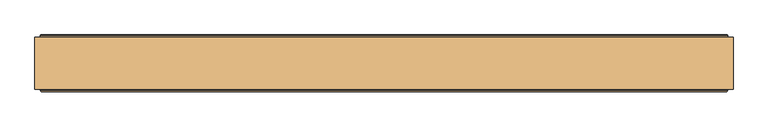
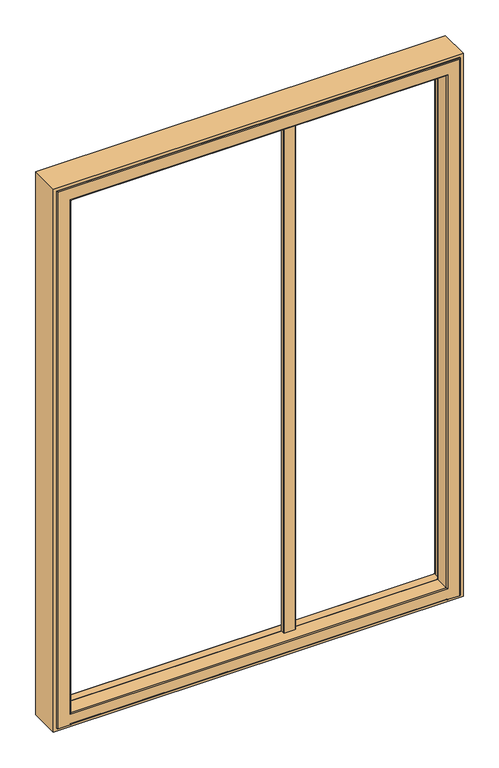
"""IFC4 building model written with IfcOpenShell, lengths in millimetres: door geometry."""

from ifc_helpers import new_model, si_unit, point, frame, frame_2d, origin, place, context, project, spatial, polyline, circle_curve, ellipse_curve, trimmed, segment, composite_curve, outline, extrude, source, transform, mapped, element, save
from ifc_brep_helpers import plane_surface, cylinder_surface, revolved_surface, advanced_brep


def door_68de4d88(model_context):
    return source(origin(), model_context, "Body", "SolidModel", [
        extrude(outline(polyline([(2100.0, -581.484), (0.0, -581.484), (0.0, 918.516), (2100.0, 918.516), (2100.0, -581.484)]), holes=[polyline([(2088.0, 906.516), (12.0, 906.516), (12.0, -569.484), (2088.0, -569.484), (2088.0, 906.516)])]), frame((0.0, 37.0, 0.0), z_axis=(0.0, 1.0, 0.0), x_axis=(0.0, 0.0, 1.0)), (0.0, 0.0, 1.0), 112.0),
        extrude(outline(composite_curve([segment(polyline([(326.5348656, 76.0), (286.5246013, 76.0)]), True, "CONTINUOUS"), segment(trimmed(circle_curve(frame_2d((286.5246013, 77.9897357)), 1.9897356), [point((286.5246013, 76.0))], [point((284.5348656, 77.9897357))], False, "CARTESIAN"), True, "CONTINUOUS"), segment(polyline([(284.5348656, 77.9897357), (284.5348656, 91.0), (328.5348656, 91.0), (328.5348656, 78.0)]), True, "CONTINUOUS"), segment(trimmed(circle_curve(frame_2d((326.5348656, 78.0)), 2.0), [point((328.5348656, 78.0))], [point((326.5348656, 76.0))], False, "CARTESIAN"), True, "CONTINUOUS")], self_intersect=False)), frame((0.0, 0.0, 48.0), z_axis=(0.0, 0.0, 1.0), x_axis=(1.0, 0.0, 0.0)), (0.0, 0.0, 1.0), 1986.5),
        advanced_brep(
        [(881.3017488, 146.453125, 12.0), (882.116, 146.453125, 12.0), (882.116, 153.0, 12.0), (883.116, 154.0, 12.0), (905.516, 154.0, 12.0), (906.516, 153.0, 12.0), (906.516, 35.0, 12.0), (903.516, 32.0, 12.0), (859.516, 32.0, 12.0), (856.516, 35.0, 12.0), (-519.484, 35.0, 12.0), (-522.484, 32.0, 12.0), (-566.484, 32.0, 12.0), (-569.484, 35.0, 12.0), (-569.484, 153.0, 12.0), (-568.484, 154.0, 12.0), (-546.084, 154.0, 12.0), (-545.084, 153.0, 12.0), (-545.084, 146.453125, 12.0), (-544.2697488, 146.453125, 12.0), (-544.2697488, 151.0, 12.0), (881.3017488, 151.0, 12.0), (881.3017488, 146.453125, 31.1912124), (881.3017488, 146.453125, 2062.7857488), (-544.2697488, 146.453125, 2062.7857488), (-544.2697488, 146.453125, 31.1912124), (-545.084, 146.453125, 2063.6), (882.116, 146.453125, 2063.6), (882.116, 153.0, 2063.6), (883.116, 154.0, 2064.6), (-546.084, 154.0, 2064.6), (-568.484, 154.0, 2087.0), (905.516, 154.0, 2087.0), (906.516, 153.0, 2088.0), (906.516, 35.0, 2088.0), (903.516, 32.0, 2085.0), (-566.484, 32.0, 2085.0), (-522.484, 32.0, 15.0), (859.516, 32.0, 15.0), (859.516, 32.0, 2041.0), (859.516, 32.0, 53.0), (-522.484, 32.0, 53.0), (-522.484, 32.0, 2041.0), (856.516, 35.0, 2038.0), (856.516, 35.0, 56.0), (-519.484, 35.0, 2038.0), (-519.484, 35.0, 56.0), (-569.484, 35.0, 2088.0), (-569.484, 153.0, 2088.0), (-545.084, 153.0, 2063.6), (-544.2697488, 151.365608, 30.5880353), (-544.2697488, 154.0, 27.6103969), (-544.2697488, 154.0, 15.0), (881.3017488, 154.0, 15.0), (881.3017488, 154.0, 27.6103969), (881.3017488, 151.365608, 30.5880353), (-536.1338733, 91.0, 2054.6498733), (873.1658733, 91.0, 2054.6498733), (873.1658733, 91.0, 39.3270879), (-536.1338733, 91.0, 39.3270879), (858.016, 91.0, 2039.5), (-520.984, 91.0, 2039.5), (-520.984, 91.0, 54.5), (858.016, 91.0, 54.5), (856.516, 89.5, 2038.0), (856.516, 89.5, 56.0), (-519.484, 89.5, 56.0), (-519.484, 89.5, 2038.0), (874.6546925, 92.317196, 2056.1386925), (874.6546925, 92.317196, 37.8382687), (-537.6226925, 92.317196, 37.8382687), (-537.6226925, 92.317196, 2056.1386925)],
        [
            (0, 1),
            (1, 2),
            (2, 3, circle_curve(frame((883.116, 153.0, 12.0), z_axis=(0.0, 0.0, -1.0), x_axis=(-1.0, 0.0, 0.0)), 1.0)),
            (3, 4),
            (4, 5, circle_curve(frame((905.516, 153.0, 12.0), z_axis=(0.0, 0.0, -1.0), x_axis=(-1.0, 0.0, 0.0)), 1.0)),
            (5, 6),
            (6, 7, circle_curve(frame((903.516, 35.0, 12.0), z_axis=(0.0, 0.0, -1.0), x_axis=(-1.0, 0.0, 0.0)), 3.0)),
            (7, 8),
            (8, 9, circle_curve(frame((859.516, 35.0, 12.0), z_axis=(0.0, 0.0, -1.0), x_axis=(-1.0, 0.0, 0.0)), 3.0)),
            (9, 10),
            (10, 11, circle_curve(frame((-522.484, 35.0, 12.0), z_axis=(0.0, 0.0, -1.0), x_axis=(1.0, 0.0, 0.0)), 3.0)),
            (11, 12),
            (12, 13, circle_curve(frame((-566.484, 35.0, 12.0), z_axis=(0.0, 0.0, -1.0), x_axis=(1.0, 0.0, 0.0)), 3.0)),
            (13, 14),
            (14, 15, circle_curve(frame((-568.484, 153.0, 12.0), z_axis=(0.0, 0.0, -1.0), x_axis=(1.0, 0.0, 0.0)), 1.0)),
            (15, 16),
            (16, 17, circle_curve(frame((-546.084, 153.0, 12.0), z_axis=(0.0, 0.0, -1.0), x_axis=(1.0, 0.0, 0.0)), 1.0)),
            (17, 18),
            (18, 19),
            (19, 20),
            (20, 21),
            (21, 0),
            (0, 22),
            (22, 23),
            (23, 24),
            (24, 25),
            (25, 19),
            (18, 26),
            (26, 27),
            (27, 1),
            (27, 28),
            (28, 2),
            (28, 29, ellipse_curve(frame((883.116, 153.0, 2064.6), z_axis=(0.7071067811865475, 0.0, -0.7071067811865475), x_axis=(-0.7071067811865474, 0.0, -0.7071067811865476)), 1.4142136, 1.0)),
            (29, 3),
            (29, 30),
            (30, 16),
            (15, 31),
            (31, 32),
            (32, 4),
            (32, 33, ellipse_curve(frame((905.516, 153.0, 2087.0), z_axis=(0.7071067811865475, 0.0, -0.7071067811865475), x_axis=(-0.7071067811865474, 0.0, -0.7071067811865476)), 1.4142136, 1.0)),
            (33, 5),
            (33, 34),
            (34, 6),
            (34, 35, ellipse_curve(frame((903.516, 35.0, 2085.0), z_axis=(0.7071067811865475, 0.0, -0.7071067811865475), x_axis=(-0.7071067811865474, 0.0, -0.7071067811865476)), 4.2426407, 3.0)),
            (35, 7),
            (35, 36),
            (36, 12),
            (11, 37),
            (37, 38),
            (38, 8),
            (39, 40),
            (40, 41),
            (41, 42),
            (42, 39),
            (38, 9, ellipse_curve(frame((859.516, 35.0, 15.0), z_axis=(0.7071067811865475, 0.0, -0.7071067811865475), x_axis=(-0.7071067811865474, 0.0, -0.7071067811865476)), 4.2426407, 3.0)),
            (39, 43, ellipse_curve(frame((859.516, 35.0, 2041.0), z_axis=(0.7071067811865475, 0.0, -0.7071067811865475), x_axis=(-0.7071067811865474, 0.0, -0.7071067811865476)), 4.2426407, 3.0)),
            (43, 44),
            (44, 40, ellipse_curve(frame((859.516, 35.0, 53.0), z_axis=(0.7071067811865475, 0.0, 0.7071067811865475), x_axis=(0.7071067811865474, 0.0, -0.7071067811865476)), 4.2426407, 3.0)),
            (37, 10, ellipse_curve(frame((-522.484, 35.0, 15.0), z_axis=(0.7071067811865475, 0.0, 0.7071067811865475), x_axis=(-0.7071067811865476, 0.0, 0.7071067811865474)), 4.2426407, 3.0)),
            (45, 42, ellipse_curve(frame((-522.484, 35.0, 2041.0), z_axis=(-0.7071067811865475, 0.0, -0.7071067811865475), x_axis=(-0.7071067811865474, 0.0, 0.7071067811865476)), 4.2426407, 3.0)),
            (41, 46, ellipse_curve(frame((-522.484, 35.0, 53.0), z_axis=(-0.7071067811865475, 0.0, 0.7071067811865475), x_axis=(0.7071067811865474, 0.0, 0.7071067811865476)), 4.2426407, 3.0)),
            (46, 45),
            (36, 47, ellipse_curve(frame((-566.484, 35.0, 2085.0), z_axis=(-0.7071067811865475, 0.0, -0.7071067811865475), x_axis=(-0.7071067811865474, 0.0, 0.7071067811865476)), 4.2426407, 3.0)),
            (47, 13),
            (47, 48),
            (48, 14),
            (48, 31, ellipse_curve(frame((-568.484, 153.0, 2087.0), z_axis=(-0.7071067811865475, 0.0, -0.7071067811865475), x_axis=(-0.7071067811865474, 0.0, 0.7071067811865476)), 1.4142136, 1.0)),
            (30, 49, ellipse_curve(frame((-546.084, 153.0, 2064.6), z_axis=(-0.7071067811865475, 0.0, -0.7071067811865475), x_axis=(-0.7071067811865474, 0.0, 0.7071067811865476)), 1.4142136, 1.0)),
            (49, 17),
            (49, 26),
            (50, 51, circle_curve(frame((-544.2697488, 151.0, 27.6103969), z_axis=(-1.0, 0.0, 0.0), x_axis=(0.0, -1.0, 0.0)), 3.0)),
            (51, 52),
            (52, 20, circle_curve(frame((-544.2697488, 151.0, 15.0), z_axis=(-1.0, 0.0, 0.0), x_axis=(0.0, -1.0, 0.0)), 3.0)),
            (25, 50),
            (52, 53),
            (53, 21, circle_curve(frame((881.3017488, 151.0, 15.0), z_axis=(-1.0, 0.0, 0.0), x_axis=(0.0, -1.0, 0.0)), 3.0)),
            (53, 54),
            (54, 55, circle_curve(frame((881.3017488, 151.0, 27.6103969), z_axis=(1.0, 0.0, 0.0), x_axis=(0.0, -1.0, 0.0)), 3.0)),
            (55, 22),
            (56, 57),
            (57, 58),
            (58, 59),
            (59, 56),
            (60, 61),
            (61, 62),
            (62, 63),
            (63, 60),
            (64, 60, ellipse_curve(frame((858.016, 89.5, 2039.5), z_axis=(0.7071067811865475, 0.0, -0.7071067811865475), x_axis=(-0.7071067811865474, 0.0, -0.7071067811865476)), 2.1213203, 1.5)),
            (63, 65, ellipse_curve(frame((858.016, 89.5, 54.5), z_axis=(0.7071067811865475, 0.0, 0.7071067811865475), x_axis=(0.7071067811865474, 0.0, -0.7071067811865476)), 2.1213203, 1.5)),
            (65, 64),
            (62, 66, ellipse_curve(frame((-520.984, 89.5, 54.5), z_axis=(0.7071067811865475, 0.0, -0.7071067811865475), x_axis=(-0.7071067811865476, 0.0, -0.7071067811865474)), 2.1213203, 1.5)),
            (66, 65),
            (43, 64),
            (65, 44),
            (61, 67, ellipse_curve(frame((-520.984, 89.5, 2039.5), z_axis=(-0.7071067811865475, 0.0, -0.7071067811865475), x_axis=(-0.7071067811865474, 0.0, 0.7071067811865476)), 2.1213203, 1.5)),
            (67, 66),
            (57, 68, ellipse_curve(frame((873.1658733, 92.5, 2054.6498733), z_axis=(-0.7071067811865475, 0.0, 0.7071067811865475), x_axis=(0.7071067811865474, 0.0, 0.7071067811865476)), 2.1213203, 1.5)),
            (68, 69),
            (69, 58, ellipse_curve(frame((873.1658733, 92.5, 39.3270879), z_axis=(-0.7071067811865475, 0.0, -0.7071067811865475), x_axis=(-0.7071067811865474, 0.0, 0.7071067811865476)), 2.1213203, 1.5)),
            (69, 70),
            (70, 59, ellipse_curve(frame((-536.1338733, 92.5, 39.3270879), z_axis=(-0.7071067811865475, 0.0, 0.7071067811865475), x_axis=(0.7071067811865476, 0.0, 0.7071067811865474)), 2.1213203, 1.5)),
            (71, 56, ellipse_curve(frame((-536.1338733, 92.5, 2054.6498733), z_axis=(0.7071067811865475, 0.0, 0.7071067811865475), x_axis=(0.7071067811865474, 0.0, -0.7071067811865476)), 2.1213203, 1.5)),
            (70, 71),
            (68, 23),
            (22, 69),
            (55, 50),
            (25, 70),
            (24, 71),
            (44, 46),
            (66, 46),
            (67, 45),
            (54, 51),
            (64, 67),
            (71, 68),
            (49, 28),
            (48, 33),
            (47, 34),
            (45, 43),
        ],
        [
            plane_surface(frame((906.516, 204.0, 12.0), z_axis=(0.0, 0.0, -1.0), x_axis=(0.0, -1.0, 0.0))),
            plane_surface(frame((881.3017488, 146.453125, 12.0), z_axis=(0.0, 1.0, 0.0), x_axis=(0.0, 0.0, 1.0))),
            plane_surface(frame((882.116, 146.453125, 12.0), z_axis=(-1.0, 0.0, 0.0), x_axis=(0.0, 0.0, 1.0))),
            cylinder_surface(frame((883.116, 153.0, 12.0), z_axis=(0.0, 0.0, -1.0), x_axis=(-1.0, 0.0, 0.0)), 1.0),
            plane_surface(frame((883.116, 154.0, 12.0), z_axis=(0.0, 1.0, 0.0), x_axis=(0.0, 0.0, 1.0))),
            cylinder_surface(frame((905.516, 153.0, 12.0), z_axis=(0.0, 0.0, -1.0), x_axis=(-1.0, 0.0, 0.0)), 1.0),
            plane_surface(frame((906.516, 153.0, 12.0), z_axis=(1.0, 0.0, 0.0), x_axis=(0.0, 0.0, 1.0))),
            cylinder_surface(frame((903.516, 35.0, 12.0), z_axis=(0.0, 0.0, -1.0), x_axis=(-1.0, 0.0, 0.0)), 3.0),
            plane_surface(frame((903.516, 32.0, 12.0), z_axis=(0.0, -1.0, 0.0), x_axis=(0.0, 0.0, 1.0))),
            cylinder_surface(frame((859.516, 35.0, 12.0), z_axis=(0.0, 0.0, -1.0), x_axis=(-1.0, 0.0, 0.0)), 3.0),
            cylinder_surface(frame((881.3017488, 35.0, 15.0), z_axis=(-1.0, 0.0, 0.0), x_axis=(0.0, -1.0, 0.0)), 3.0),
            cylinder_surface(frame((-522.484, 35.0, 2088.0), z_axis=(0.0, 0.0, 1.0), x_axis=(1.0, 0.0, 0.0)), 3.0),
            cylinder_surface(frame((-566.484, 35.0, 2088.0), z_axis=(0.0, 0.0, 1.0), x_axis=(1.0, 0.0, 0.0)), 3.0),
            plane_surface(frame((-569.484, 153.0, 2088.0), z_axis=(-1.0, 0.0, 0.0), x_axis=(0.0, 0.0, -1.0))),
            cylinder_surface(frame((-568.484, 153.0, 2088.0), z_axis=(0.0, 0.0, 1.0), x_axis=(1.0, 0.0, 0.0)), 1.0),
            cylinder_surface(frame((-546.084, 153.0, 2088.0), z_axis=(0.0, 0.0, 1.0), x_axis=(1.0, 0.0, 0.0)), 1.0),
            plane_surface(frame((-545.084, 146.453125, 2063.6), z_axis=(1.0, 0.0, 0.0), x_axis=(0.0, 0.0, -1.0))),
            plane_surface(frame((-544.2697488, 151.365608, 30.5880353), z_axis=(-1.0, 0.0, 0.0), x_axis=(0.0, 0.9925461516412675, -0.12186934340559166))),
            cylinder_surface(frame((881.3017488, 151.0, 15.0), z_axis=(-1.0, 0.0, 0.0), x_axis=(0.0, -1.0, 0.0)), 3.0),
            plane_surface(frame((881.3017488, 151.365608, 30.5880353), z_axis=(1.0, 0.0, 0.0), x_axis=(0.0, -0.9925461516412675, 0.12186934340559166))),
            plane_surface(frame((858.016, 91.0, 12.0), z_axis=(0.0, 1.0, 0.0), x_axis=(0.0, 0.0, 1.0))),
            cylinder_surface(frame((858.016, 89.5, 12.0), z_axis=(0.0, 0.0, -1.0), x_axis=(-1.0, 0.0, 0.0)), 1.5),
            cylinder_surface(frame((881.3017488, 89.5, 54.5), z_axis=(-1.0, 0.0, 0.0), x_axis=(0.0, -1.0, 0.0)), 1.5),
            plane_surface(frame((856.516, 35.0, 12.0), z_axis=(-1.0, 0.0, 0.0), x_axis=(0.0, 0.0, 1.0))),
            cylinder_surface(frame((-520.984, 89.5, 2088.0), z_axis=(0.0, 0.0, 1.0), x_axis=(1.0, 0.0, 0.0)), 1.5),
            revolved_surface(polyline([(871.6658733, 92.5, 2056.1498732691985), (871.6658733, 92.5, 37.82708793080132)]), (873.1658733, 92.5, 12.0), (0.0, 0.0, 1.0)),
            revolved_surface(polyline([(874.6658732691988, 91.0, 39.3270879), (-537.6338732691986, 91.0, 39.3270879)]), (881.3017488, 92.5, 39.3270879), (1.0, 0.0, 0.0)),
            revolved_surface(polyline([(-534.6338733, 92.5, 37.827087930801554), (-534.6338733, 92.5, 2056.1498732691985)]), (-536.1338733, 92.5, 2088.0), (0.0, 0.0, -1.0)),
            plane_surface(frame((874.6546925, 92.317196, 12.0), z_axis=(-0.9925461516413239, 0.12186934340513325, 0.0), x_axis=(0.0, 0.0, 1.0))),
            plane_surface(frame((-544.2697488, 92.317196, 37.8382687), z_axis=(0.0, 0.12186934340559166, 0.9925461516412675), x_axis=(1.0, 0.0, 0.0))),
            plane_surface(frame((-537.6226925, 92.317196, 2056.1386925), z_axis=(0.9925461516413246, 0.12186934340512683, 0.0), x_axis=(0.0, 0.0, -1.0))),
            cylinder_surface(frame((881.3017488, 35.0, 53.0), z_axis=(-1.0, 0.0, 0.0), x_axis=(0.0, -1.0, 0.0)), 3.0),
            plane_surface(frame((-544.2697488, 35.0, 56.0), z_axis=(0.0, 0.0, 1.0), x_axis=(1.0, 0.0, 0.0))),
            plane_surface(frame((-519.484, 35.0, 2038.0), z_axis=(1.0, 0.0, 0.0), x_axis=(0.0, 0.0, -1.0))),
            cylinder_surface(frame((881.3017488, 151.0, 27.6103969), z_axis=(-1.0, 0.0, 0.0), x_axis=(0.0, -1.0, 0.0)), 3.0),
            plane_surface(frame((-544.2697488, 154.0, 27.6103969), z_axis=(0.0, 1.0, 2.4768410609163974e-12), x_axis=(1.0, 0.0, 0.0))),
            cylinder_surface(frame((906.516, 89.5, 2039.5), z_axis=(1.0, 0.0, 0.0), x_axis=(0.0, 0.0, -1.0)), 1.5),
            revolved_surface(polyline([(-537.6338732691985, 92.5, 2053.1498733), (874.6658732691988, 92.5, 2053.1498733)]), (906.516, 92.5, 2054.6498733), (-1.0, 0.0, 0.0)),
            plane_surface(frame((874.6546925, 92.317196, 2056.1386925), z_axis=(0.0, 0.12186934340513005, -0.9925461516413243), x_axis=(-1.0, 0.0, 0.0))),
            plane_surface(frame((882.116, 146.453125, 2063.6), z_axis=(0.0, 0.0, -1.0), x_axis=(-1.0, 0.0, 0.0))),
            cylinder_surface(frame((906.516, 153.0, 2064.6), z_axis=(1.0, 0.0, 0.0), x_axis=(0.0, 0.0, -1.0)), 1.0),
            cylinder_surface(frame((906.516, 153.0, 2087.0), z_axis=(1.0, 0.0, 0.0), x_axis=(0.0, 0.0, -1.0)), 1.0),
            plane_surface(frame((906.516, 153.0, 2088.0), z_axis=(0.0, 0.0, 1.0), x_axis=(-1.0, 0.0, 0.0))),
            cylinder_surface(frame((906.516, 35.0, 2085.0), z_axis=(1.0, 0.0, 0.0), x_axis=(0.0, 0.0, -1.0)), 3.0),
            cylinder_surface(frame((906.516, 35.0, 2041.0), z_axis=(1.0, 0.0, 0.0), x_axis=(0.0, 0.0, -1.0)), 3.0),
            plane_surface(frame((856.516, 35.0, 2038.0), z_axis=(0.0, 0.0, -1.0), x_axis=(-1.0, 0.0, 0.0))),
        ],
        [
            (0, [[1, 2, 3, 4, 5, 6, 7, 8, 9, 10, 11, 12, 13, 14, 15, 16, 17, 18, 19, 20, 21, 22]]),
            (1, [[-1, 23, 24, 25, 26, 27, -19, 28, 29, 30]]),
            (2, [[-2, -30, 31, 32]]),
            (3, [[-3, -32, 33, 34]]),
            (4, [[-4, -34, 35, 36, -16, 37, 38, 39]]),
            (5, [[-5, -39, 40, 41]]),
            (6, [[-6, -41, 42, 43]]),
            (7, [[-7, -43, 44, 45]]),
            (8, [[-8, -45, 46, 47, -12, 48, 49, 50], [51, 52, 53, 54]]),
            (9, [[-9, -50, 55]]),
            (9, [[56, 57, 58, -51]]),
            (10, [[-10, -55, -49, 59]]),
            (11, [[-11, -59, -48]]),
            (11, [[60, -53, 61, 62]]),
            (12, [[-47, 63, 64, -13]]),
            (13, [[65, 66, -14, -64]]),
            (14, [[-37, -15, -66, 67]]),
            (15, [[-36, 68, 69, -17]]),
            (16, [[-28, -18, -69, 70]]),
            (17, [[71, 72, 73, -20, -27, 74]]),
            (18, [[-73, 75, 76, -21]]),
            (19, [[-76, 77, 78, 79, -23, -22]]),
            (20, [[80, 81, 82, 83], [84, 85, 86, 87]]),
            (21, [[88, -87, 89, 90]]),
            (22, [[-86, 91, 92, -89]]),
            (23, [[93, -90, 94, -57]]),
            (24, [[95, 96, -91, -85]]),
            (25, [[-81, 97, 98, 99]]),
            (26, [[-82, -99, 100, 101]]),
            (27, [[102, -83, -101, 103]]),
            (28, [[104, -24, 105, -98]]),
            (29, [[106, -74, 107, -100, -105, -79]]),
            (30, [[108, -103, -107, -26]]),
            (31, [[-52, -58, 109, -61]]),
            (32, [[-92, 110, -109, -94]]),
            (33, [[111, -62, -110, -96]]),
            (34, [[-71, -106, -78, 112]]),
            (35, [[-72, -112, -77, -75]]),
            (36, [[-88, 113, -95, -84]]),
            (37, [[-80, -102, 114, -97]]),
            (38, [[-104, -114, -108, -25]]),
            (39, [[-29, -70, 115, -31]]),
            (40, [[-33, -115, -68, -35]]),
            (41, [[-38, -67, 116, -40]]),
            (42, [[-42, -116, -65, 117]]),
            (43, [[-44, -117, -63, -46]]),
            (44, [[-54, -60, 118, -56]]),
            (45, [[-93, -118, -111, -113]]),
        ],
    ),
    ])


if __name__ == "__main__":
    model = new_model("IFC4")
    model_context = context("Model", 3, world=origin())
    ifc_project = project(units=[si_unit("LENGTHUNIT", "METRE", prefix="MILLI")], contexts=[model_context])
    site = spatial("IfcSite", under=ifc_project)
    building = spatial("IfcBuilding", under=site)
    placement = place(None, origin())
    door_shape = door_68de4d88(model_context)
    element("IfcDoor", 1, at=placement, inside=building, context=model_context, shape_type="MappedRepresentation", body=[
        mapped(door_shape, transform((0.0, 0.0, 0.0), x_axis=(1.0, 0.0, 0.0), y_axis=(0.0, 1.0, 0.0), z_axis=(0.0, 0.0, 1.0))),
    ])
    save(model, "model.ifc")
